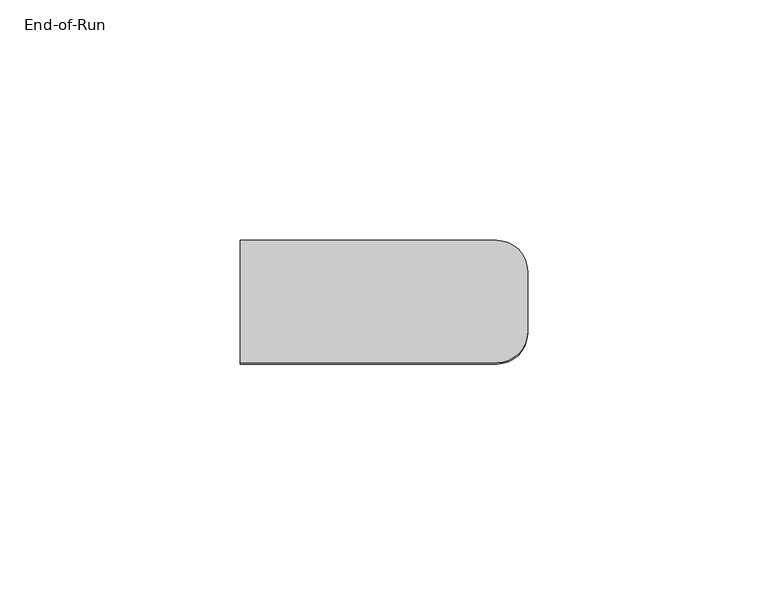
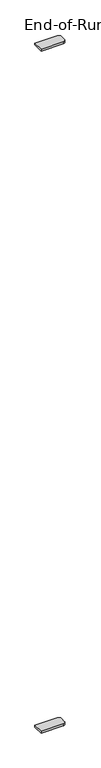
"""IFC4 building model written with IfcOpenShell, lengths in millimetres: furniture geometry, End-of-Run."""

from ifc_helpers import new_model, si_unit, point, frame, frame_2d, origin, place, context, project, spatial, polyline, circle_curve, trimmed, segment, composite_curve, outline, extrude, source, transform, mapped, element, save


def end_of_run_1e5c3c27(model_context):
    return source(origin(), model_context, "Body", "SweptSolid", [
        extrude(outline(composite_curve([segment(polyline([(6.223, -50.8), (6.223, -25.4), (59.563, -25.4)]), True, "CONTINUOUS"), segment(trimmed(circle_curve(frame_2d((59.563, -31.75)), 6.35), [point((59.563, -25.4))], [point((65.913, -31.75))], False, "CARTESIAN"), True, "CONTINUOUS"), segment(polyline([(65.913, -31.75), (65.913, -44.45)]), True, "CONTINUOUS"), segment(trimmed(circle_curve(frame_2d((59.563, -44.45)), 6.35), [point((65.913, -44.45))], [point((59.563, -50.8))], False, "CARTESIAN"), True, "CONTINUOUS"), segment(polyline([(59.563, -50.8), (6.223, -50.8)]), True, "CONTINUOUS")], self_intersect=False)), frame((0.0, 0.0, 1738.4522), z_axis=(0.0, 0.0, 1.0), x_axis=(1.0, 0.0, 0.0)), (0.0, 0.0, 1.0), 4.5466),
        extrude(outline(composite_curve([segment(polyline([(6.223, -25.4), (59.563, -25.4)]), True, "CONTINUOUS"), segment(trimmed(circle_curve(frame_2d((59.563, -31.75)), 6.35), [point((59.563, -25.4))], [point((65.913, -31.75))], False, "CARTESIAN"), True, "CONTINUOUS"), segment(polyline([(65.913, -31.75), (65.913, -44.45)]), True, "CONTINUOUS"), segment(trimmed(circle_curve(frame_2d((59.563, -44.45)), 6.35), [point((65.913, -44.45))], [point((59.563, -50.8))], False, "CARTESIAN"), True, "CONTINUOUS"), segment(polyline([(59.563, -50.8), (6.223, -50.8), (6.223, -25.4)]), True, "CONTINUOUS")], self_intersect=False)), frame((0.0, 0.0, 12.7), z_axis=(0.0, 0.0, 1.0), x_axis=(1.0, 0.0, 0.0)), (0.0, 0.0, 1.0), 4.5466),
    ])


if __name__ == "__main__":
    model = new_model("IFC4")
    model_context = context("Model", 3, world=origin())
    ifc_project = project(units=[si_unit("LENGTHUNIT", "METRE", prefix="MILLI")], contexts=[model_context])
    site = spatial("IfcSite", under=ifc_project)
    building = spatial("IfcBuilding", under=site)
    placement = place(None, origin())
    end_of_run_shape = end_of_run_1e5c3c27(model_context)
    element("IfcFurniture", 1, ObjectType="End-of-Run", at=placement, inside=building, context=model_context, shape_type="MappedRepresentation", body=[
        mapped(end_of_run_shape, transform((0.0, 0.0, 0.0), x_axis=(1.0, 0.0, 0.0), y_axis=(0.0, 1.0, 0.0), z_axis=(0.0, 0.0, 1.0))),
    ])
    save(model, "model.ifc")
